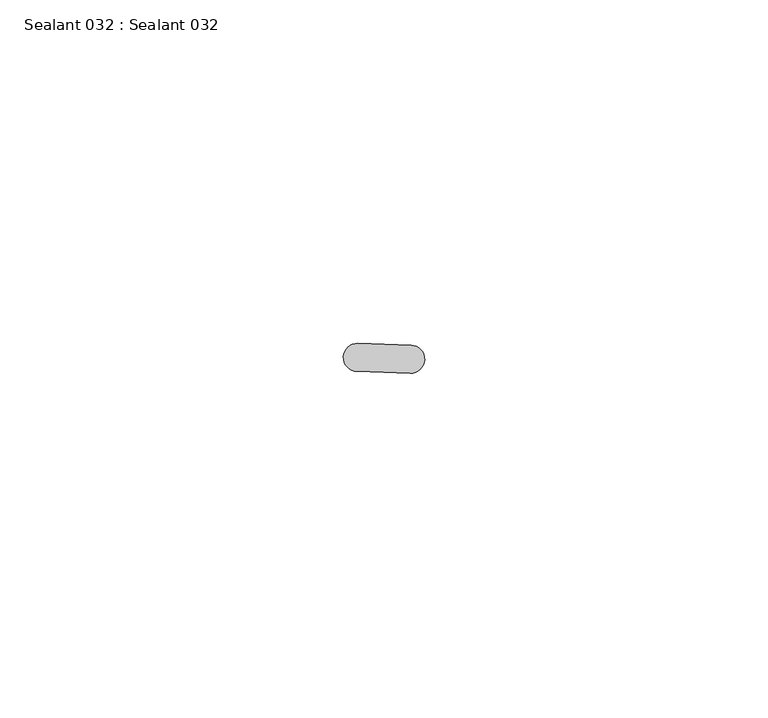
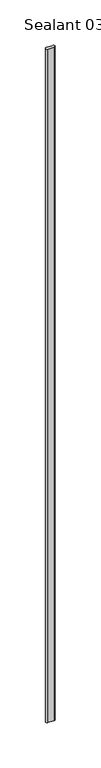
"""IFC4 building model written with IfcOpenShell, lengths in millimetres: proxy geometry, Sealant 032 : Sealant 032."""

from ifc_helpers import new_model, si_unit, point, frame, frame_2d, origin, place, context, project, spatial, polyline, circle_curve, trimmed, segment, composite_curve, outline, extrude, source, transform, mapped, element, save


def sealant_032_sealant_032_e26b8c97(model_context):
    return source(origin(), model_context, "Body", "SweptSolid", [
        extrude(outline(composite_curve([segment(trimmed(circle_curve(frame_2d((32711.8814881, -15484.4711307)), 2.037109), [point((32711.8118154, -15486.5070478))], [point((32711.9511609, -15482.4352135))], False, "CARTESIAN"), True, "CONTINUOUS"), segment(polyline([(32711.9511609, -15482.4352135), (32719.7005321, -15482.7004109)]), True, "CONTINUOUS"), segment(trimmed(circle_curve(frame_2d((32719.6308594, -15484.7363281)), 2.037109), [point((32719.7005321, -15482.7004109))], [point((32719.5611866, -15486.7722453))], False, "CARTESIAN"), True, "CONTINUOUS"), segment(polyline([(32719.5611866, -15486.7722453), (32711.8118154, -15486.5070478)]), True, "CONTINUOUS")], self_intersect=False)), frame((0.0, 0.0, 1597.975708), z_axis=(0.0, 0.0, 1.0), x_axis=(1.0, 0.0, 0.0)), (0.0, 0.0, 1.0), 914.4),
    ])


if __name__ == "__main__":
    model = new_model("IFC4")
    model_context = context("Model", 3, world=origin())
    ifc_project = project(units=[si_unit("LENGTHUNIT", "METRE", prefix="MILLI")], contexts=[model_context])
    site = spatial("IfcSite", under=ifc_project)
    building = spatial("IfcBuilding", under=site)
    placement = place(None, origin())
    sealant_032_sealant_032_shape = sealant_032_sealant_032_e26b8c97(model_context)
    element("IfcBuildingElementProxy", 1, Name="Sealant 032 : Sealant 032", ObjectType="Sealant 032 : Sealant 032", at=placement, inside=building, context=model_context, shape_type="MappedRepresentation", body=[
        mapped(sealant_032_sealant_032_shape, transform((0.0, 0.0, 0.0), x_axis=(1.0, 0.0, 0.0), y_axis=(0.0, 1.0, 0.0), z_axis=(0.0, 0.0, 1.0))),
    ])
    save(model, "model.ifc")
